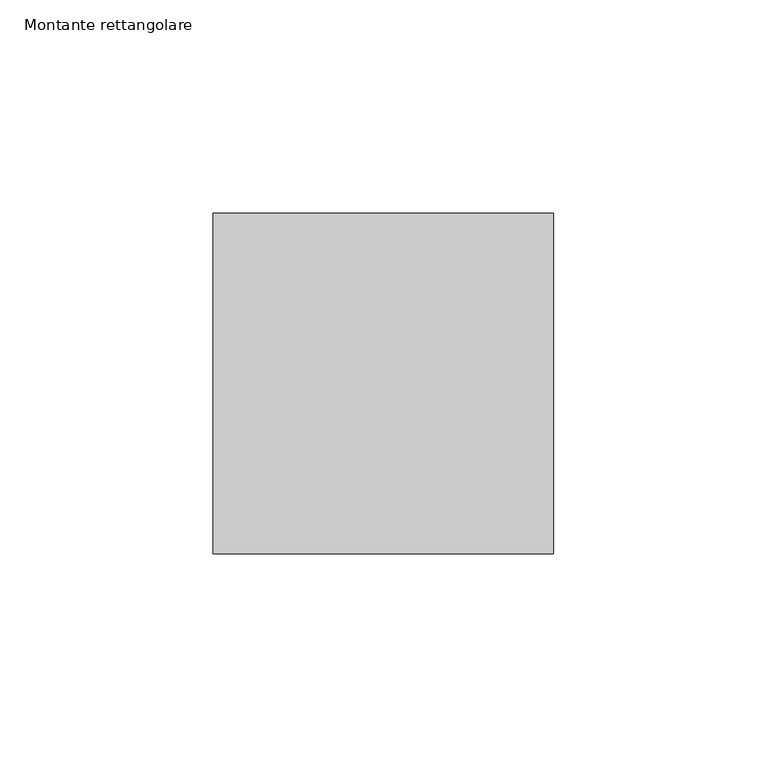
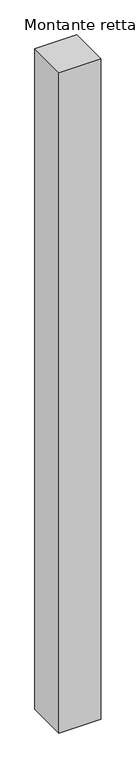
"""IFC4 building model written with IfcOpenShell, lengths in millimetres: member geometry, Montante rettangolare."""

from ifc_helpers import new_model, si_unit, frame, origin, place, context, project, spatial, polyline, outline, extrude, source, transform, mapped, element, save


def montante_rettangolare_af8de9ed(model_context):
    return source(origin(), model_context, "Body", "SweptSolid", [
        extrude(outline(polyline([(0.0, 40.0), (0.0, -40.0), (-80.0, -40.0), (-80.0, 40.0), (0.0, 40.0)])), frame((0.0, 0.0, -1340.0), z_axis=(0.0, 0.0, 1.0), x_axis=(1.0, 0.0, 0.0)), (0.0, 0.0, 1.0), 1340.0),
    ])


if __name__ == "__main__":
    model = new_model("IFC4")
    model_context = context("Model", 3, world=origin())
    ifc_project = project(units=[si_unit("LENGTHUNIT", "METRE", prefix="MILLI")], contexts=[model_context])
    site = spatial("IfcSite", under=ifc_project)
    building = spatial("IfcBuilding", under=site)
    placement = place(None, origin())
    montante_rettangolare_shape = montante_rettangolare_af8de9ed(model_context)
    element("IfcMember", 1, ObjectType="Montante rettangolare", at=placement, inside=building, context=model_context, shape_type="MappedRepresentation", body=[
        mapped(montante_rettangolare_shape, transform((0.0, 0.0, 0.0), x_axis=(1.0, 0.0, 0.0), y_axis=(0.0, 1.0, 0.0), z_axis=(0.0, 0.0, 1.0))),
    ])
    save(model, "model.ifc")
